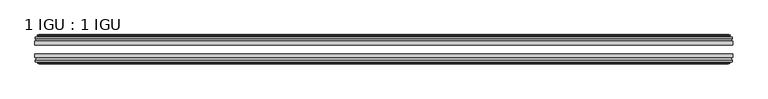
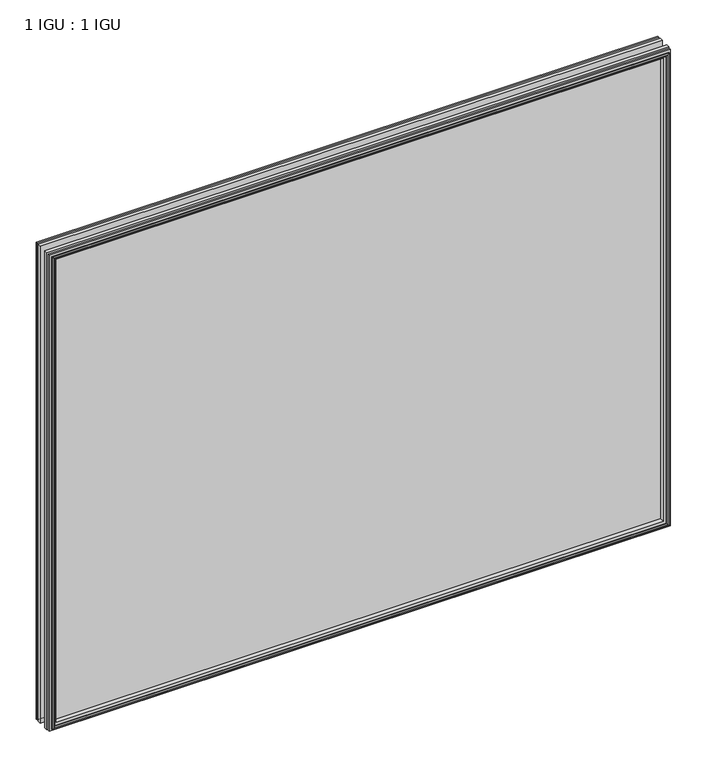
"""IFC4 building model written with IfcOpenShell, lengths in millimetres: plate geometry, 1 IGU : 1 IGU."""

from ifc_helpers import new_model, si_unit, frame, origin, place, context, project, spatial, polyline, outline, extrude, faceted_brep, source, transform, mapped, element, save


def plate_1_igu_1_igu_c8dbaf61(model_context):
    return source(origin(), model_context, "Body", "SolidModel", [
        extrude(outline(polyline([(532.9369235, -25.8960937), (532.9369235, -32.2460938), (-532.9369235, -32.2460938), (-532.9369235, -25.8960937), (532.9369235, -25.8960937)])), frame((0.0, 0.0, -12.7), z_axis=(0.0, 0.0, 1.0), x_axis=(1.0, 0.0, 0.0)), (0.0, 0.0, 1.0), 863.6),
        extrude(outline(polyline([(-532.9369235, -51.2960938), (-532.9369235, -45.2686737), (532.9369235, -45.2686737), (532.9369235, -51.2960938), (-532.9369235, -51.2960938)])), frame((0.0, 0.0, -12.7), z_axis=(0.0, 0.0, 1.0), x_axis=(1.0, 0.0, 0.0)), (0.0, 0.0, 1.0), 863.6),
        faceted_brep([(-527.3489235, -60.0262907, 845.312), (-527.7299235, -57.6460937, 845.693), (-527.7299235, -57.6460937, -7.493), (-527.3489235, -60.0262907, -7.112), (-528.7644525, -59.5663575, 846.727529), (-528.7644525, -59.5663575, -8.5275291), (-528.7644525, -60.3675717, 846.727529), (-528.7644525, -60.3675717, -8.5275291), (-526.5869235, -61.0750937, 844.55), (-526.5869235, -61.0750937, -6.35), (-524.4093944, -60.3675717, 842.3724709), (-524.4093944, -60.3675717, -4.1724709), (-524.4093944, -59.5663575, 842.3724709), (-524.4093944, -59.5663575, -4.1724709), (-525.8249235, -60.0262907, 843.788), (-525.8249235, -60.0262907, -5.588), (-525.4439235, -57.6460937, 843.407), (-525.4439235, -57.6460937, -5.207), (-518.5192054, -51.2960937, 836.4822819), (-520.2369235, -57.6460937, 838.2), (-520.2369235, -57.6460937, 0.0), (-518.5192054, -51.2960937, 1.7177181), (-532.1749235, -54.6996937, 850.138), (-529.3405813, -51.2960937, 847.3036578), (-529.3405813, -51.2960937, -9.1036578), (-532.1749235, -54.6996937, -11.938), (-532.1749235, -57.6460937, 850.138), (-532.1749235, -57.6460937, -11.938), (527.7299235, -57.6460938, -7.493), (527.3489235, -60.0262907, -7.112), (528.7644525, -59.5663575, -8.5275291), (528.7644525, -60.3675717, -8.5275291), (526.5869235, -61.0750937, -6.35), (524.4093944, -60.3675717, -4.1724709), (524.4093944, -59.5663575, -4.1724709), (525.8249235, -60.0262907, -5.588), (525.4439235, -57.6460937, -5.207), (520.2369235, -57.6460937, 0.0), (518.5192054, -51.2960937, 1.7177181), (529.3405813, -51.2960937, -9.1036578), (532.1749235, -54.6996937, -11.938), (532.1749235, -57.6460938, -11.938), (527.7299235, -57.6460938, 845.693), (527.3489235, -60.0262907, 845.312), (528.7644525, -59.5663575, 846.727529), (528.7644525, -60.3675717, 846.727529), (526.5869235, -61.0750937, 844.55), (524.4093944, -60.3675717, 842.3724709), (524.4093944, -59.5663575, 842.3724709), (525.8249235, -60.0262907, 843.788), (525.4439235, -57.6460937, 843.407), (520.2369235, -57.6460937, 838.2), (518.5192054, -51.2960937, 836.4822819), (529.3405813, -51.2960937, 847.3036578), (532.1749235, -54.6996937, 850.138), (532.1749235, -57.6460938, 850.138)], [[[0, 1, 2, 3]], [[4, 0, 3, 5]], [[6, 4, 5, 7]], [[8, 6, 7, 9]], [[10, 8, 9, 11]], [[12, 10, 11, 13]], [[14, 12, 13, 15]], [[16, 14, 15, 17]], [[18, 19, 20, 21]], [[22, 23, 24, 25]], [[26, 22, 25, 27]], [[3, 2, 28, 29]], [[5, 3, 29, 30]], [[7, 5, 30, 31]], [[9, 7, 31, 32]], [[11, 9, 32, 33]], [[13, 11, 33, 34]], [[15, 13, 34, 35]], [[17, 15, 35, 36]], [[21, 20, 37, 38]], [[25, 24, 39, 40]], [[27, 25, 40, 41]], [[29, 28, 42, 43]], [[30, 29, 43, 44]], [[31, 30, 44, 45]], [[32, 31, 45, 46]], [[33, 32, 46, 47]], [[34, 33, 47, 48]], [[35, 34, 48, 49]], [[36, 35, 49, 50]], [[38, 37, 51, 52]], [[40, 39, 53, 54]], [[41, 40, 54, 55]], [[27, 41, 55, 26], [1, 42, 28, 2]], [[43, 42, 1, 0]], [[44, 43, 0, 4]], [[45, 44, 4, 6]], [[46, 45, 6, 8]], [[47, 46, 8, 10]], [[48, 47, 10, 12]], [[49, 48, 12, 14]], [[50, 49, 14, 16]], [[17, 36, 50, 16], [19, 51, 37, 20]], [[52, 51, 19, 18]], [[23, 53, 39, 24], [21, 38, 52, 18]], [[54, 53, 23, 22]], [[55, 54, 22, 26]]]),
        faceted_brep([(-529.8612813, -25.8960937, 847.8243578), (-532.6956235, -22.4924937, 850.6587), (-532.6956235, -22.4924937, -12.4587), (-529.8612813, -25.8960937, -9.6243578), (-520.7576235, -19.5460937, 838.7207), (-519.0399054, -25.8960937, 837.0029819), (-519.0399054, -25.8960937, 1.1970181), (-520.7576235, -19.5460937, -0.5207), (-526.3456235, -17.1658968, 844.3087), (-525.9646235, -19.5460937, 843.9277), (-525.9646235, -19.5460937, -5.7277), (-526.3456235, -17.1658968, -6.1087), (-524.9300944, -17.62583, 842.8931709), (-524.9300944, -17.62583, -4.6931709), (-524.9300944, -16.8246158, 842.8931709), (-524.9300944, -16.8246158, -4.6931709), (-527.1076235, -16.1170937, 845.0707), (-527.1076235, -16.1170937, -6.8707), (-529.2851525, -16.8246158, 847.248229), (-529.2851525, -16.8246158, -9.0482291), (-529.2851525, -17.62583, 847.248229), (-529.2851525, -17.62583, -9.0482291), (-527.8696235, -17.1658968, 845.8327), (-527.8696235, -17.1658968, -7.6327), (-528.2506235, -19.5460937, 846.2137), (-528.2506235, -19.5460937, -8.0137), (-532.6956235, -19.5460937, 850.6587), (-532.6956235, -19.5460937, -12.4587), (532.6956235, -22.4924937, -12.4587), (529.8612813, -25.8960937, -9.6243578), (519.0399054, -25.8960937, 1.1970181), (520.7576235, -19.5460937, -0.5207), (525.9646235, -19.5460937, -5.7277), (526.3456235, -17.1658968, -6.1087), (524.9300944, -17.62583, -4.6931709), (524.9300944, -16.8246158, -4.6931709), (527.1076235, -16.1170937, -6.8707), (529.2851525, -16.8246158, -9.0482291), (529.2851525, -17.62583, -9.0482291), (527.8696235, -17.1658968, -7.6327), (528.2506235, -19.5460937, -8.0137), (532.6956235, -19.5460937, -12.4587), (532.6956235, -22.4924937, 850.6587), (529.8612813, -25.8960937, 847.8243578), (519.0399054, -25.8960937, 837.0029819), (520.7576235, -19.5460937, 838.7207), (525.9646235, -19.5460937, 843.9277), (526.3456235, -17.1658968, 844.3087), (524.9300944, -17.62583, 842.8931709), (524.9300944, -16.8246158, 842.8931709), (527.1076235, -16.1170937, 845.0707), (529.2851525, -16.8246158, 847.248229), (529.2851525, -17.62583, 847.248229), (527.8696235, -17.1658968, 845.8327), (528.2506235, -19.5460937, 846.2137), (532.6956235, -19.5460937, 850.6587)], [[[0, 1, 2, 3]], [[4, 5, 6, 7]], [[8, 9, 10, 11]], [[12, 8, 11, 13]], [[14, 12, 13, 15]], [[16, 14, 15, 17]], [[18, 16, 17, 19]], [[20, 18, 19, 21]], [[22, 20, 21, 23]], [[24, 22, 23, 25]], [[1, 26, 27, 2]], [[3, 2, 28, 29]], [[7, 6, 30, 31]], [[11, 10, 32, 33]], [[13, 11, 33, 34]], [[15, 13, 34, 35]], [[17, 15, 35, 36]], [[19, 17, 36, 37]], [[21, 19, 37, 38]], [[23, 21, 38, 39]], [[25, 23, 39, 40]], [[2, 27, 41, 28]], [[29, 28, 42, 43]], [[31, 30, 44, 45]], [[33, 32, 46, 47]], [[34, 33, 47, 48]], [[35, 34, 48, 49]], [[36, 35, 49, 50]], [[37, 36, 50, 51]], [[38, 37, 51, 52]], [[39, 38, 52, 53]], [[40, 39, 53, 54]], [[28, 41, 55, 42]], [[43, 42, 1, 0]], [[3, 29, 43, 0], [5, 44, 30, 6]], [[45, 44, 5, 4]], [[9, 46, 32, 10], [7, 31, 45, 4]], [[47, 46, 9, 8]], [[48, 47, 8, 12]], [[49, 48, 12, 14]], [[50, 49, 14, 16]], [[51, 50, 16, 18]], [[52, 51, 18, 20]], [[53, 52, 20, 22]], [[54, 53, 22, 24]], [[26, 55, 41, 27], [25, 40, 54, 24]], [[42, 55, 26, 1]]]),
    ])


if __name__ == "__main__":
    model = new_model("IFC4")
    model_context = context("Model", 3, world=origin())
    ifc_project = project(units=[si_unit("LENGTHUNIT", "METRE", prefix="MILLI")], contexts=[model_context])
    site = spatial("IfcSite", under=ifc_project)
    building = spatial("IfcBuilding", under=site)
    placement = place(None, origin())
    plate_1_igu_1_igu_shape = plate_1_igu_1_igu_c8dbaf61(model_context)
    element("IfcPlate", 1, ObjectType="1 IGU : 1 IGU", at=placement, inside=building, context=model_context, shape_type="MappedRepresentation", body=[
        mapped(plate_1_igu_1_igu_shape, transform((0.0, 0.0, 0.0), x_axis=(1.0, 0.0, 0.0), y_axis=(0.0, 1.0, 0.0), z_axis=(0.0, 0.0, 1.0))),
    ])
    save(model, "model.ifc")
